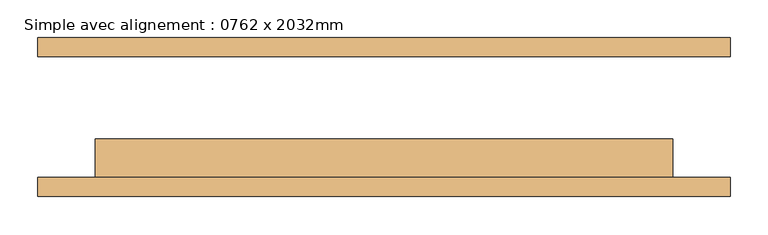
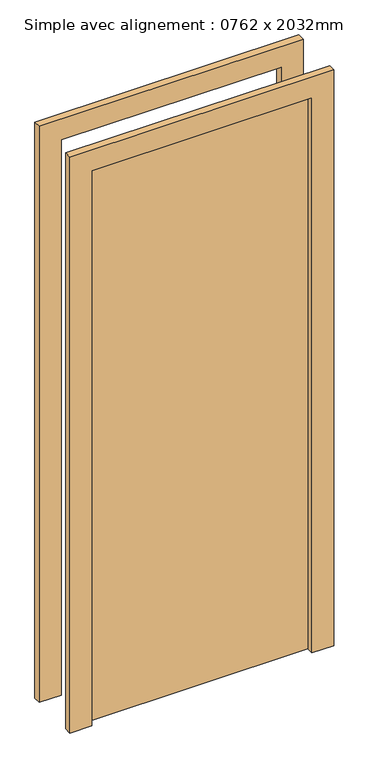
"""IFC4 building model written with IfcOpenShell, lengths in millimetres: door geometry, Simple avec alignement : 0762 x 2032mm."""

from ifc_helpers import new_model, si_unit, frame, origin, origin_with_axes, place, context, project, spatial, polyline, outline, extrude, source, transform, mapped, element, save


def simple_avec_alignement_0762_x_2032mm_6f5f7af1(model_context):
    return source(origin(), model_context, "Body", "SweptSolid", [
        extrude(outline(polyline([(2108.0, -457.0), (0.0, -457.0), (0.0, -381.0), (2032.0, -381.0), (2032.0, 381.0), (0.0, 381.0), (0.0, 457.0), (2108.0, 457.0), (2108.0, -457.0)])), frame((0.0, -105.0, 0.0), z_axis=(0.0, 1.0, 0.0), x_axis=(0.0, 0.0, 1.0)), (0.0, 0.0, 1.0), 25.0),
        extrude(outline(polyline([(2108.0, 457.0), (2108.0, -457.0), (0.0, -457.0), (0.0, -381.0), (2032.0, -381.0), (2032.0, 381.0), (0.0, 381.0), (0.0, 457.0), (2108.0, 457.0)])), frame((0.0, 80.0, 0.0), z_axis=(0.0, 1.0, 0.0), x_axis=(0.0, 0.0, 1.0)), (0.0, 0.0, 1.0), 25.0),
        extrude(outline(polyline([(381.0, -29.0), (381.0, -80.0), (-381.0, -80.0), (-381.0, -29.0), (381.0, -29.0)])), origin_with_axes(), (0.0, 0.0, 1.0), 2032.0),
    ])


if __name__ == "__main__":
    model = new_model("IFC4")
    model_context = context("Model", 3, world=origin())
    ifc_project = project(units=[si_unit("LENGTHUNIT", "METRE", prefix="MILLI")], contexts=[model_context])
    site = spatial("IfcSite", under=ifc_project)
    building = spatial("IfcBuilding", under=site)
    placement = place(None, origin())
    simple_avec_alignement_0762_x_2032mm_shape = simple_avec_alignement_0762_x_2032mm_6f5f7af1(model_context)
    element("IfcDoor", 1, ObjectType="Simple avec alignement : 0762 x 2032mm", at=placement, inside=building, context=model_context, shape_type="MappedRepresentation", body=[
        mapped(simple_avec_alignement_0762_x_2032mm_shape, transform((0.0, 0.0, 0.0), x_axis=(1.0, 0.0, 0.0), y_axis=(0.0, 1.0, 0.0), z_axis=(0.0, 0.0, 1.0))),
    ])
    save(model, "model.ifc")
